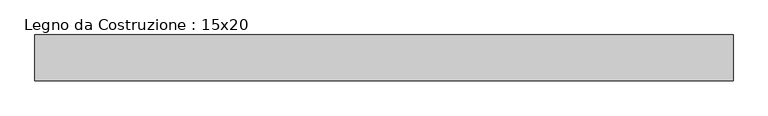
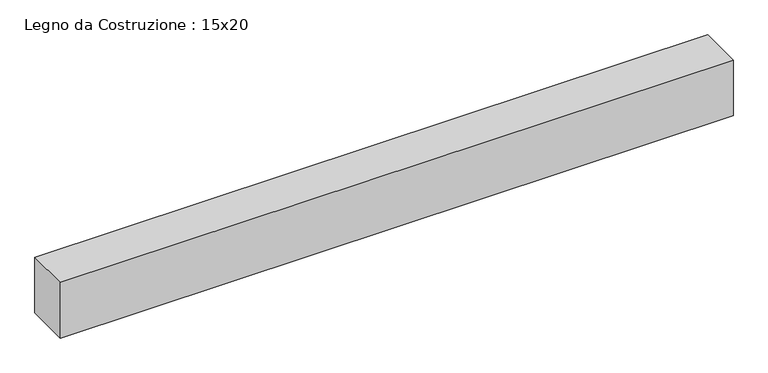
"""IFC4 building model written with IfcOpenShell, lengths in millimetres: beam geometry, Legno da Costruzione : 15x20."""

from ifc_helpers import new_model, si_unit, frame, origin, place, context, project, spatial, polyline, outline, extrude, source, transform, mapped, element, save


def legno_da_costruzione_15x20_d299139d(model_context):
    return source(origin(), model_context, "Body", "SweptSolid", [
        extrude(outline(polyline([(1294.0, 75.0), (1294.0, -75.0), (-997.0, -75.0), (-997.0, 75.0), (1294.0, 75.0)])), frame((0.0, 0.0, -100.0), z_axis=(0.0, 0.0, 1.0), x_axis=(1.0, 0.0, 0.0)), (0.0, 0.0, 1.0), 200.0),
    ])


if __name__ == "__main__":
    model = new_model("IFC4")
    model_context = context("Model", 3, world=origin())
    ifc_project = project(units=[si_unit("LENGTHUNIT", "METRE", prefix="MILLI")], contexts=[model_context])
    site = spatial("IfcSite", under=ifc_project)
    building = spatial("IfcBuilding", under=site)
    placement = place(None, origin())
    legno_da_costruzione_15x20_shape = legno_da_costruzione_15x20_d299139d(model_context)
    element("IfcBeam", 1, ObjectType="Legno da Costruzione : 15x20", at=placement, inside=building, context=model_context, shape_type="MappedRepresentation", body=[
        mapped(legno_da_costruzione_15x20_shape, transform((0.0, 0.0, 0.0), x_axis=(1.0, 0.0, 0.0), y_axis=(0.0, 1.0, 0.0), z_axis=(0.0, 0.0, 1.0))),
    ])
    save(model, "model.ifc")
